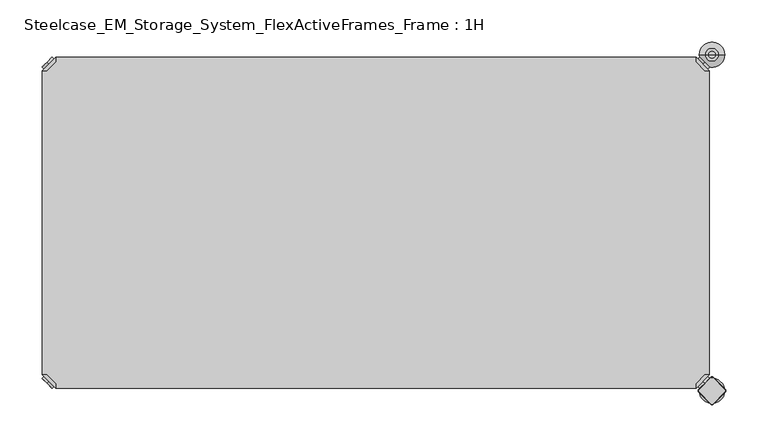
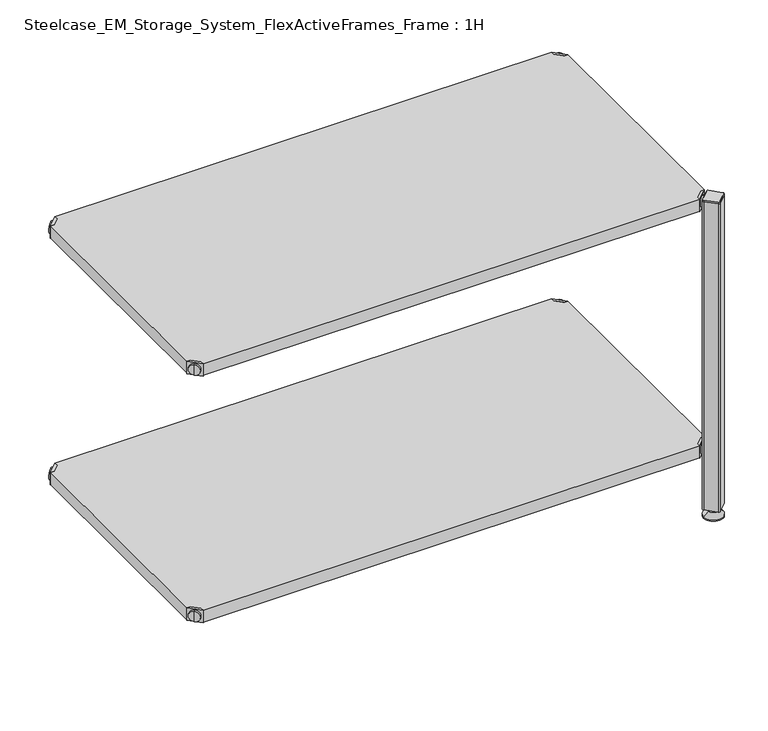
"""IFC4 building model written with IfcOpenShell, lengths in millimetres: furniture geometry, Steelcase_EM_Storage_System_FlexActiveFrames_Frame : 1H."""

from ifc_helpers import new_model, si_unit, point, frame, frame_2d, origin, place, context, project, spatial, polyline, circle_curve, trimmed, segment, composite_curve, outline, extrude, source, transform, mapped, element, save
from ifc_brep_helpers import plane_surface, cylinder_surface, revolved_surface, advanced_brep


def steelcase_em_storage_system_flexactiveframes_frame_1h_f66fc62f(model_context):
    return source(origin(), model_context, "Body", "SolidModel", [
        advanced_brep(
        [(789.0398449, -10.9601551, 498.5), (789.0398449, -10.9601551, 507.0), (789.0398449, -10.9601551, 515.5), (791.1611652, -8.8388348, 498.5), (791.1611652, -8.8388348, 515.5), (791.1611652, -8.8388348, 507.0)],
        [
            (0, 1),
            (1, 2),
            (2, 0, circle_curve(frame((789.0398449, -10.9601551, 507.0), z_axis=(-0.7071067811865556, -0.7071067811865395, 0.0), x_axis=(0.0, 0.0, 1.0)), 8.5)),
            (0, 2, circle_curve(frame((789.0398449, -10.9601551, 507.0), z_axis=(-0.7071067811865556, -0.7071067811865395, 0.0), x_axis=(0.0, 0.0, 1.0)), 8.5)),
            (3, 0),
            (2, 4),
            (4, 3, circle_curve(frame((791.1611652, -8.8388348, 507.0), z_axis=(-0.7071067811865556, -0.7071067811865395, 0.0), x_axis=(0.0, 0.0, 1.0)), 8.5)),
            (3, 4, circle_curve(frame((791.1611652, -8.8388348, 507.0), z_axis=(-0.7071067811865556, -0.7071067811865395, 0.0), x_axis=(0.0, 0.0, 1.0)), 8.5)),
            (5, 3),
            (4, 5),
        ],
        [
            plane_surface(frame((789.0398449, -10.9601551, 507.0), z_axis=(-0.7071067811865552, -0.7071067811865399, 0.0), x_axis=(0.0, 0.0, 1.0))),
            cylinder_surface(frame((791.1611652, -8.8388348, 507.0), z_axis=(0.7071067811865556, 0.7071067811865395, 0.0), x_axis=(0.0, 0.0, 1.0)), 8.5),
            plane_surface(frame((791.1611652, -8.8388348, 507.0), z_axis=(0.7071067811865552, 0.7071067811865399, 0.0), x_axis=(0.0, 0.0, 1.0))),
        ],
        [
            (0, [[1, 2, 3]]),
            (0, [[-2, -1, 4]]),
            (1, [[5, -3, 6, 7]]),
            (1, [[-6, -4, -5, 8]]),
            (2, [[9, -7, 10]]),
            (2, [[-10, -8, -9]]),
        ],
    ),
        advanced_brep(
        [(781.0796898, -3.0, 517.0), (781.0796898, -8.6568542, 517.0), (791.3431458, -18.9203102, 517.0), (797.0, -18.9203102, 517.0), (797.0, -18.9203102, 498.0), (797.0, -18.9203102, 497.0), (781.0796898, -3.0, 497.0), (781.0796898, -3.0, 498.0), (781.0796898, -8.6568542, 498.0), (791.3431458, -18.9203102, 498.0), (752.2702923, -31.8093975, 498.0), (768.1906025, -47.7297077, 498.0), (768.1906025, -47.7297077, 497.0), (752.2702923, -31.8093975, 497.0)],
        [
            (0, 1),
            (1, 2),
            (2, 3),
            (3, 0),
            (3, 4),
            (4, 5),
            (5, 6),
            (6, 7),
            (7, 0),
            (1, 8),
            (8, 9),
            (9, 2),
            (7, 8),
            (9, 4),
            (7, 10),
            (10, 11, circle_curve(frame((760.2304474, -39.7695526, 498.0), z_axis=(0.0, 0.0, 1.0), x_axis=(-1.0, 0.0, 0.0)), 11.2573593)),
            (11, 4),
            (5, 12),
            (12, 13, circle_curve(frame((760.2304474, -39.7695526, 497.0), z_axis=(0.0, 0.0, -1.0), x_axis=(-1.0, 0.0, 0.0)), 11.2573593)),
            (13, 6),
            (11, 12),
            (10, 13),
        ],
        [
            plane_surface(frame((838.8756299, -60.7959401, 517.0), z_axis=(0.0, 0.0, 1.0000000000000002), x_axis=(0.7071067811865465, -0.7071067811865487, 0.0))),
            plane_surface(frame((781.0796898, -3.0, 517.0), z_axis=(0.7071067811865487, 0.7071067811865465, 0.0), x_axis=(0.0, 0.0, -1.0))),
            plane_surface(frame((791.3431458, -18.9203102, 517.0), z_axis=(-0.7071067811865573, -0.7071067811865377, 0.0), x_axis=(0.0, 0.0, -1.0))),
            plane_surface(frame((781.0796898, -8.6568542, 517.0), z_axis=(-1.0, 0.0, 0.0), x_axis=(0.0, 0.0, -1.0))),
            plane_surface(frame((797.0, -18.9203102, 517.0), z_axis=(0.0, -1.0, 0.0), x_axis=(0.0, 0.0, -1.0))),
            plane_surface(frame((797.0, -18.9203102, 498.0), z_axis=(0.0, 0.0, 1.0), x_axis=(0.7071067811865392, -0.7071067811865558, 0.0))),
            plane_surface(frame((797.0, -18.9203102, 497.0), z_axis=(0.0, 0.0, -1.0), x_axis=(-0.7071067811865392, 0.7071067811865558, 0.0))),
            plane_surface(frame((797.0, -18.9203102, 498.0), z_axis=(0.7071067811865399, -0.7071067811865552, 0.0), x_axis=(0.0, 0.0, -1.0))),
            cylinder_surface(frame((760.2304474, -39.7695526, 497.0), z_axis=(0.0, 0.0, 1.0), x_axis=(-1.0, 0.0, 0.0)), 11.2573593),
            plane_surface(frame((752.2702923, -31.8093975, 498.0), z_axis=(-0.7071067811865388, 0.7071067811865563, 0.0), x_axis=(0.0, 0.0, -1.0))),
        ],
        [
            (0, [[1, 2, 3, 4]]),
            (1, [[5, 6, 7, 8, 9, -4]]),
            (2, [[10, 11, 12, -2]]),
            (3, [[-9, 13, -10, -1]]),
            (4, [[-12, 14, -5, -3]]),
            (5, [[-14, -11, -13, 15, 16, 17]]),
            (6, [[-7, 18, 19, 20]]),
            (7, [[21, -18, -6, -17]]),
            (8, [[22, -19, -21, -16]]),
            (9, [[-8, -20, -22, -15]]),
        ],
    ),
        advanced_brep(
        [(789.0398449, -389.0398449, 498.5), (789.0398449, -389.0398449, 515.5), (789.0398449, -389.0398449, 507.0), (791.1611652, -391.1611652, 498.5), (791.1611652, -391.1611652, 515.5), (791.1611652, -391.1611652, 507.0)],
        [
            (0, 1, circle_curve(frame((789.0398449, -389.0398449, 507.0), z_axis=(-0.7071067811865509, 0.7071067811865441, 0.0), x_axis=(0.0, 0.0, 1.0)), 8.5)),
            (1, 2),
            (2, 0),
            (1, 0, circle_curve(frame((789.0398449, -389.0398449, 507.0), z_axis=(-0.7071067811865509, 0.7071067811865441, 0.0), x_axis=(0.0, 0.0, 1.0)), 8.5)),
            (3, 4, circle_curve(frame((791.1611652, -391.1611652, 507.0), z_axis=(-0.7071067811865509, 0.7071067811865441, 0.0), x_axis=(0.0, 0.0, 1.0)), 8.5)),
            (4, 1),
            (0, 3),
            (4, 3, circle_curve(frame((791.1611652, -391.1611652, 507.0), z_axis=(-0.7071067811865509, 0.7071067811865441, 0.0), x_axis=(0.0, 0.0, 1.0)), 8.5)),
            (5, 4),
            (3, 5),
        ],
        [
            plane_surface(frame((789.0398449, -389.0398449, 507.0), z_axis=(-0.7071067811865506, 0.7071067811865446, 0.0), x_axis=(0.0, 0.0, 1.0))),
            cylinder_surface(frame((791.1611652, -391.1611652, 507.0), z_axis=(0.7071067811865509, -0.7071067811865441, 0.0), x_axis=(0.0, 0.0, 1.0)), 8.5),
            plane_surface(frame((791.1611652, -391.1611652, 507.0), z_axis=(0.7071067811865506, -0.7071067811865446, 0.0), x_axis=(0.0, 0.0, 1.0))),
        ],
        [
            (0, [[1, 2, 3]]),
            (0, [[4, -3, -2]]),
            (1, [[5, 6, -1, 7]]),
            (1, [[8, -7, -4, -6]]),
            (2, [[9, -5, 10]]),
            (2, [[-10, -8, -9]]),
        ],
    ),
        advanced_brep(
        [(781.0796898, -397.0, 517.0), (797.0, -381.0796898, 517.0), (791.3431458, -381.0796898, 517.0), (781.0796898, -391.3431458, 517.0), (781.0796898, -397.0, 498.0), (781.0796898, -397.0, 497.0), (797.0, -381.0796898, 497.0), (797.0, -381.0796898, 498.0), (791.3431458, -381.0796898, 498.0), (781.0796898, -391.3431458, 498.0), (768.1906025, -352.2702923, 498.0), (752.2702923, -368.1906025, 498.0), (752.2702923, -368.1906025, 497.0), (768.1906025, -352.2702923, 497.0)],
        [
            (0, 1),
            (1, 2),
            (2, 3),
            (3, 0),
            (0, 4),
            (4, 5),
            (5, 6),
            (6, 7),
            (7, 1),
            (2, 8),
            (8, 9),
            (9, 3),
            (9, 4),
            (7, 8),
            (7, 10),
            (10, 11, circle_curve(frame((760.2304474, -360.2304474, 498.0), z_axis=(0.0, 0.0, 1.0), x_axis=(-1.0, 0.0, 0.0)), 11.2573593)),
            (11, 4),
            (5, 12),
            (12, 13, circle_curve(frame((760.2304474, -360.2304474, 497.0), z_axis=(0.0, 0.0, -1.0), x_axis=(-1.0, 0.0, 0.0)), 11.2573593)),
            (13, 6),
            (13, 10),
            (12, 11),
        ],
        [
            plane_surface(frame((838.8756299, -339.2040599, 517.0), z_axis=(0.0, 0.0, 1.0000000000000002), x_axis=(0.7071067811865511, 0.707106781186544, 0.0))),
            plane_surface(frame((781.0796898, -397.0, 517.0), z_axis=(0.707106781186544, -0.7071067811865511, 0.0), x_axis=(0.0, 0.0, -1.0))),
            plane_surface(frame((791.3431458, -381.0796898, 517.0), z_axis=(-0.7071067811865527, 0.7071067811865424, 0.0), x_axis=(0.0, 0.0, -1.0))),
            plane_surface(frame((781.0796898, -391.3431458, 517.0), z_axis=(-1.0, 0.0, 0.0), x_axis=(0.0, 0.0, -1.0))),
            plane_surface(frame((797.0, -381.0796898, 517.0), z_axis=(0.0, 1.0, 0.0), x_axis=(0.0, 0.0, -1.0))),
            plane_surface(frame((797.0, -381.0796898, 498.0), z_axis=(0.0, 0.0, 1.0), x_axis=(0.7071067811865439, 0.7071067811865511, 0.0))),
            plane_surface(frame((797.0, -381.0796898, 497.0), z_axis=(0.0, 0.0, -1.0), x_axis=(-0.7071067811865439, -0.7071067811865511, 0.0))),
            plane_surface(frame((797.0, -381.0796898, 498.0), z_axis=(0.7071067811865446, 0.7071067811865506, 0.0), x_axis=(0.0, 0.0, -1.0))),
            cylinder_surface(frame((760.2304474, -360.2304474, 497.0), z_axis=(0.0, 0.0, 1.0), x_axis=(-1.0, 0.0, 0.0)), 11.2573593),
            plane_surface(frame((752.2702923, -368.1906025, 498.0), z_axis=(-0.7071067811865435, -0.7071067811865517, 0.0), x_axis=(0.0, 0.0, -1.0))),
        ],
        [
            (0, [[1, 2, 3, 4]]),
            (1, [[-1, 5, 6, 7, 8, 9]]),
            (2, [[-3, 10, 11, 12]]),
            (3, [[-4, -12, 13, -5]]),
            (4, [[-2, -9, 14, -10]]),
            (5, [[15, 16, 17, -13, -11, -14]]),
            (6, [[18, 19, 20, -7]]),
            (7, [[-15, -8, -20, 21]]),
            (8, [[-16, -21, -19, 22]]),
            (9, [[-17, -22, -18, -6]]),
        ],
    ),
        advanced_brep(
        [(10.9601551, -389.0398449, 498.5), (10.9601551, -389.0398449, 507.0), (10.9601551, -389.0398449, 515.5), (8.8388348, -391.1611652, 498.5), (8.8388348, -391.1611652, 515.5), (8.8388348, -391.1611652, 507.0)],
        [
            (0, 1),
            (1, 2),
            (2, 0, circle_curve(frame((10.9601551, -389.0398449, 507.0), z_axis=(0.7071067811865509, 0.7071067811865441, 0.0), x_axis=(0.0, 0.0, 1.0)), 8.5)),
            (0, 2, circle_curve(frame((10.9601551, -389.0398449, 507.0), z_axis=(0.7071067811865509, 0.7071067811865441, 0.0), x_axis=(0.0, 0.0, 1.0)), 8.5)),
            (3, 0),
            (2, 4),
            (4, 3, circle_curve(frame((8.8388348, -391.1611652, 507.0), z_axis=(0.7071067811865509, 0.7071067811865441, 0.0), x_axis=(0.0, 0.0, 1.0)), 8.5)),
            (3, 4, circle_curve(frame((8.8388348, -391.1611652, 507.0), z_axis=(0.7071067811865509, 0.7071067811865441, 0.0), x_axis=(0.0, 0.0, 1.0)), 8.5)),
            (5, 3),
            (4, 5),
        ],
        [
            plane_surface(frame((10.9601551, -389.0398449, 507.0), z_axis=(0.7071067811865506, 0.7071067811865446, 0.0), x_axis=(0.0, 0.0, 1.0))),
            cylinder_surface(frame((8.8388348, -391.1611652, 507.0), z_axis=(-0.7071067811865509, -0.7071067811865441, 0.0), x_axis=(0.0, 0.0, 1.0)), 8.5),
            plane_surface(frame((8.8388348, -391.1611652, 507.0), z_axis=(-0.7071067811865506, -0.7071067811865446, 0.0), x_axis=(0.0, 0.0, 1.0))),
        ],
        [
            (0, [[1, 2, 3]]),
            (0, [[-2, -1, 4]]),
            (1, [[5, -3, 6, 7]]),
            (1, [[-6, -4, -5, 8]]),
            (2, [[9, -7, 10]]),
            (2, [[-10, -8, -9]]),
        ],
    ),
        advanced_brep(
        [(18.9203102, -397.0, 517.0), (18.9203102, -391.3431458, 517.0), (8.6568542, -381.0796898, 517.0), (3.0, -381.0796898, 517.0), (3.0, -381.0796898, 498.0), (3.0, -381.0796898, 497.0), (18.9203102, -397.0, 497.0), (18.9203102, -397.0, 498.0), (18.9203102, -391.3431458, 498.0), (8.6568542, -381.0796898, 498.0), (47.7297077, -368.1906025, 498.0), (31.8093975, -352.2702923, 498.0), (31.8093975, -352.2702923, 497.0), (47.7297077, -368.1906025, 497.0)],
        [
            (0, 1),
            (1, 2),
            (2, 3),
            (3, 0),
            (3, 4),
            (4, 5),
            (5, 6),
            (6, 7),
            (7, 0),
            (1, 8),
            (8, 9),
            (9, 2),
            (7, 8),
            (9, 4),
            (7, 10),
            (10, 11, circle_curve(frame((39.7695526, -360.2304474, 498.0), z_axis=(0.0, 0.0, 1.0), x_axis=(1.0, 0.0, 0.0)), 11.2573593)),
            (11, 4),
            (5, 12),
            (12, 13, circle_curve(frame((39.7695526, -360.2304474, 497.0), z_axis=(0.0, 0.0, -1.0), x_axis=(1.0, 0.0, 0.0)), 11.2573593)),
            (13, 6),
            (11, 12),
            (10, 13),
        ],
        [
            plane_surface(frame((-38.8756299, -339.2040599, 517.0), z_axis=(0.0, 0.0, 1.0000000000000002), x_axis=(-0.7071067811865511, 0.707106781186544, 0.0))),
            plane_surface(frame((18.9203102, -397.0, 517.0), z_axis=(-0.707106781186544, -0.7071067811865511, 0.0), x_axis=(0.0, 0.0, -1.0))),
            plane_surface(frame((8.6568542, -381.0796898, 517.0), z_axis=(0.7071067811865527, 0.7071067811865424, 0.0), x_axis=(0.0, 0.0, -1.0))),
            plane_surface(frame((18.9203102, -391.3431458, 517.0), z_axis=(1.0, 0.0, 0.0), x_axis=(0.0, 0.0, -1.0))),
            plane_surface(frame((3.0, -381.0796898, 517.0), z_axis=(0.0, 1.0, 0.0), x_axis=(0.0, 0.0, -1.0))),
            plane_surface(frame((3.0, -381.0796898, 498.0), z_axis=(0.0, 0.0, 1.0), x_axis=(-0.7071067811865439, 0.7071067811865511, 0.0))),
            plane_surface(frame((3.0, -381.0796898, 497.0), z_axis=(0.0, 0.0, -1.0), x_axis=(0.7071067811865439, -0.7071067811865511, 0.0))),
            plane_surface(frame((3.0, -381.0796898, 498.0), z_axis=(-0.7071067811865446, 0.7071067811865506, 0.0), x_axis=(0.0, 0.0, -1.0))),
            cylinder_surface(frame((39.7695526, -360.2304474, 497.0), z_axis=(0.0, 0.0, 1.0), x_axis=(1.0, 0.0, 0.0)), 11.2573593),
            plane_surface(frame((47.7297077, -368.1906025, 498.0), z_axis=(0.7071067811865435, -0.7071067811865517, 0.0), x_axis=(0.0, 0.0, -1.0))),
        ],
        [
            (0, [[1, 2, 3, 4]]),
            (1, [[5, 6, 7, 8, 9, -4]]),
            (2, [[10, 11, 12, -2]]),
            (3, [[-9, 13, -10, -1]]),
            (4, [[-12, 14, -5, -3]]),
            (5, [[-14, -11, -13, 15, 16, 17]]),
            (6, [[-7, 18, 19, 20]]),
            (7, [[21, -18, -6, -17]]),
            (8, [[22, -19, -21, -16]]),
            (9, [[-8, -20, -22, -15]]),
        ],
    ),
        advanced_brep(
        [(10.9601551, -10.9601551, 498.5), (10.9601551, -10.9601551, 515.5), (10.9601551, -10.9601551, 507.0), (8.8388348, -8.8388348, 498.5), (8.8388348, -8.8388348, 515.5), (8.8388348, -8.8388348, 507.0)],
        [
            (0, 1, circle_curve(frame((10.9601551, -10.9601551, 507.0), z_axis=(0.7071067811865464, -0.7071067811865487, 0.0), x_axis=(0.0, 0.0, 1.0)), 8.5)),
            (1, 2),
            (2, 0),
            (1, 0, circle_curve(frame((10.9601551, -10.9601551, 507.0), z_axis=(0.7071067811865464, -0.7071067811865487, 0.0), x_axis=(0.0, 0.0, 1.0)), 8.5)),
            (3, 4, circle_curve(frame((8.8388348, -8.8388348, 507.0), z_axis=(0.7071067811865464, -0.7071067811865487, 0.0), x_axis=(0.0, 0.0, 1.0)), 8.5)),
            (4, 1),
            (0, 3),
            (4, 3, circle_curve(frame((8.8388348, -8.8388348, 507.0), z_axis=(0.7071067811865464, -0.7071067811865487, 0.0), x_axis=(0.0, 0.0, 1.0)), 8.5)),
            (5, 4),
            (3, 5),
        ],
        [
            plane_surface(frame((10.9601551, -10.9601551, 507.0), z_axis=(0.707106781186546, -0.7071067811865491, 0.0), x_axis=(0.0, 0.0, 1.0))),
            cylinder_surface(frame((8.8388348, -8.8388348, 507.0), z_axis=(-0.7071067811865464, 0.7071067811865487, 0.0), x_axis=(0.0, 0.0, 1.0)), 8.5),
            plane_surface(frame((8.8388348, -8.8388348, 507.0), z_axis=(-0.707106781186546, 0.7071067811865491, 0.0), x_axis=(0.0, 0.0, 1.0))),
        ],
        [
            (0, [[1, 2, 3]]),
            (0, [[4, -3, -2]]),
            (1, [[5, 6, -1, 7]]),
            (1, [[8, -7, -4, -6]]),
            (2, [[9, -5, 10]]),
            (2, [[-10, -8, -9]]),
        ],
    ),
        advanced_brep(
        [(18.9203102, -3.0, 517.0), (3.0, -18.9203102, 517.0), (8.6568542, -18.9203102, 517.0), (18.9203102, -8.6568542, 517.0), (18.9203102, -3.0, 498.0), (18.9203102, -3.0, 497.0), (3.0, -18.9203102, 497.0), (3.0, -18.9203102, 498.0), (8.6568542, -18.9203102, 498.0), (18.9203102, -8.6568542, 498.0), (31.8093975, -47.7297077, 498.0), (47.7297077, -31.8093975, 498.0), (47.7297077, -31.8093975, 497.0), (31.8093975, -47.7297077, 497.0)],
        [
            (0, 1),
            (1, 2),
            (2, 3),
            (3, 0),
            (0, 4),
            (4, 5),
            (5, 6),
            (6, 7),
            (7, 1),
            (2, 8),
            (8, 9),
            (9, 3),
            (9, 4),
            (7, 8),
            (7, 10),
            (10, 11, circle_curve(frame((39.7695526, -39.7695526, 498.0), z_axis=(0.0, 0.0, 1.0), x_axis=(1.0, 0.0, 0.0)), 11.2573593)),
            (11, 4),
            (5, 12),
            (12, 13, circle_curve(frame((39.7695526, -39.7695526, 497.0), z_axis=(0.0, 0.0, -1.0), x_axis=(1.0, 0.0, 0.0)), 11.2573593)),
            (13, 6),
            (13, 10),
            (12, 11),
        ],
        [
            plane_surface(frame((-38.8756299, -60.7959401, 517.0), z_axis=(0.0, 0.0, 1.0000000000000002), x_axis=(-0.7071067811865557, -0.7071067811865395, 0.0))),
            plane_surface(frame((18.9203102, -3.0, 517.0), z_axis=(-0.7071067811865395, 0.7071067811865557, 0.0), x_axis=(0.0, 0.0, -1.0))),
            plane_surface(frame((8.6568542, -18.9203102, 517.0), z_axis=(0.7071067811865481, -0.7071067811865469, 0.0), x_axis=(0.0, 0.0, -1.0))),
            plane_surface(frame((18.9203102, -8.6568542, 517.0), z_axis=(1.0, 0.0, 0.0), x_axis=(0.0, 0.0, -1.0))),
            plane_surface(frame((3.0, -18.9203102, 517.0), z_axis=(0.0, -1.0, 0.0), x_axis=(0.0, 0.0, -1.0))),
            plane_surface(frame((3.0, -18.9203102, 498.0), z_axis=(0.0, 0.0, 1.0), x_axis=(-0.7071067811865485, -0.7071067811865466, 0.0))),
            plane_surface(frame((3.0, -18.9203102, 497.0), z_axis=(0.0, 0.0, -1.0), x_axis=(0.7071067811865485, 0.7071067811865466, 0.0))),
            plane_surface(frame((3.0, -18.9203102, 498.0), z_axis=(-0.7071067811865491, -0.707106781186546, 0.0), x_axis=(0.0, 0.0, -1.0))),
            cylinder_surface(frame((39.7695526, -39.7695526, 497.0), z_axis=(0.0, 0.0, 1.0), x_axis=(1.0, 0.0, 0.0)), 11.2573593),
            plane_surface(frame((47.7297077, -31.8093975, 498.0), z_axis=(0.707106781186548, 0.7071067811865471, 0.0), x_axis=(0.0, 0.0, -1.0))),
        ],
        [
            (0, [[1, 2, 3, 4]]),
            (1, [[-1, 5, 6, 7, 8, 9]]),
            (2, [[-3, 10, 11, 12]]),
            (3, [[-4, -12, 13, -5]]),
            (4, [[-2, -9, 14, -10]]),
            (5, [[15, 16, 17, -13, -11, -14]]),
            (6, [[18, 19, 20, -7]]),
            (7, [[-15, -8, -20, 21]]),
            (8, [[-16, -21, -19, 22]]),
            (9, [[-17, -22, -18, -6]]),
        ],
    ),
        extrude(outline(polyline([(781.0796898, -3.0), (781.0796898, -8.6568542), (791.3431458, -18.9203102), (797.0, -18.9203102), (797.0, -381.0796898), (791.3431458, -381.0796898), (781.0796898, -391.3431458), (781.0796898, -397.0), (18.9203102, -397.0), (18.9203102, -391.3431458), (8.6568542, -381.0796898), (3.0, -381.0796898), (3.0, -18.9203102), (8.6568542, -18.9203102), (18.9203102, -8.6568542), (18.9203102, -3.0), (781.0796898, -3.0)])), frame((0.0, 0.0, 498.0), z_axis=(0.0, 0.0, 1.0), x_axis=(1.0, 0.0, 0.0)), (0.0, 0.0, 1.0), 19.0),
        advanced_brep(
        [(789.0398449, -10.9601551, 98.5), (789.0398449, -10.9601551, 107.0), (789.0398449, -10.9601551, 115.5), (791.1611652, -8.8388348, 98.5), (791.1611652, -8.8388348, 115.5), (791.1611652, -8.8388348, 107.0)],
        [
            (0, 1),
            (1, 2),
            (2, 0, circle_curve(frame((789.0398449, -10.9601551, 107.0), z_axis=(-0.7071067811865556, -0.7071067811865395, 0.0), x_axis=(0.0, 0.0, 1.0)), 8.5)),
            (0, 2, circle_curve(frame((789.0398449, -10.9601551, 107.0), z_axis=(-0.7071067811865556, -0.7071067811865395, 0.0), x_axis=(0.0, 0.0, 1.0)), 8.5)),
            (3, 0),
            (2, 4),
            (4, 3, circle_curve(frame((791.1611652, -8.8388348, 107.0), z_axis=(-0.7071067811865556, -0.7071067811865395, 0.0), x_axis=(0.0, 0.0, 1.0)), 8.5)),
            (3, 4, circle_curve(frame((791.1611652, -8.8388348, 107.0), z_axis=(-0.7071067811865556, -0.7071067811865395, 0.0), x_axis=(0.0, 0.0, 1.0)), 8.5)),
            (5, 3),
            (4, 5),
        ],
        [
            plane_surface(frame((789.0398449, -10.9601551, 107.0), z_axis=(-0.7071067811865552, -0.7071067811865399, 0.0), x_axis=(0.0, 0.0, 1.0))),
            cylinder_surface(frame((791.1611652, -8.8388348, 107.0), z_axis=(0.7071067811865556, 0.7071067811865395, 0.0), x_axis=(0.0, 0.0, 1.0)), 8.5),
            plane_surface(frame((791.1611652, -8.8388348, 107.0), z_axis=(0.7071067811865552, 0.7071067811865399, 0.0), x_axis=(0.0, 0.0, 1.0))),
        ],
        [
            (0, [[1, 2, 3]]),
            (0, [[-2, -1, 4]]),
            (1, [[5, -3, 6, 7]]),
            (1, [[-6, -4, -5, 8]]),
            (2, [[9, -7, 10]]),
            (2, [[-10, -8, -9]]),
        ],
    ),
        advanced_brep(
        [(781.0796898, -3.0, 117.0), (781.0796898, -8.6568542, 117.0), (791.3431458, -18.9203102, 117.0), (797.0, -18.9203102, 117.0), (797.0, -18.9203102, 98.0), (797.0, -18.9203102, 97.0), (781.0796898, -3.0, 97.0), (781.0796898, -3.0, 98.0), (781.0796898, -8.6568542, 98.0), (791.3431458, -18.9203102, 98.0), (752.2702923, -31.8093975, 98.0), (768.1906025, -47.7297077, 98.0), (768.1906025, -47.7297077, 97.0), (752.2702923, -31.8093975, 97.0)],
        [
            (0, 1),
            (1, 2),
            (2, 3),
            (3, 0),
            (3, 4),
            (4, 5),
            (5, 6),
            (6, 7),
            (7, 0),
            (1, 8),
            (8, 9),
            (9, 2),
            (7, 8),
            (9, 4),
            (7, 10),
            (10, 11, circle_curve(frame((760.2304474, -39.7695526, 98.0), z_axis=(0.0, 0.0, 1.0), x_axis=(-1.0, 0.0, 0.0)), 11.2573593)),
            (11, 4),
            (5, 12),
            (12, 13, circle_curve(frame((760.2304474, -39.7695526, 97.0), z_axis=(0.0, 0.0, -1.0), x_axis=(-1.0, 0.0, 0.0)), 11.2573593)),
            (13, 6),
            (11, 12),
            (10, 13),
        ],
        [
            plane_surface(frame((838.8756299, -60.7959401, 117.0), z_axis=(0.0, 0.0, 1.0000000000000002), x_axis=(0.7071067811865465, -0.7071067811865487, 0.0))),
            plane_surface(frame((781.0796898, -3.0, 117.0), z_axis=(0.7071067811865487, 0.7071067811865465, 0.0), x_axis=(0.0, 0.0, -1.0))),
            plane_surface(frame((791.3431458, -18.9203102, 117.0), z_axis=(-0.7071067811865573, -0.7071067811865377, 0.0), x_axis=(0.0, 0.0, -1.0))),
            plane_surface(frame((781.0796898, -8.6568542, 117.0), z_axis=(-1.0, 0.0, 0.0), x_axis=(0.0, 0.0, -1.0))),
            plane_surface(frame((797.0, -18.9203102, 117.0), z_axis=(0.0, -1.0, 0.0), x_axis=(0.0, 0.0, -1.0))),
            plane_surface(frame((797.0, -18.9203102, 98.0), z_axis=(0.0, 0.0, 1.0), x_axis=(0.7071067811865392, -0.7071067811865558, 0.0))),
            plane_surface(frame((797.0, -18.9203102, 97.0), z_axis=(0.0, 0.0, -1.0), x_axis=(-0.7071067811865392, 0.7071067811865558, 0.0))),
            plane_surface(frame((797.0, -18.9203102, 98.0), z_axis=(0.7071067811865399, -0.7071067811865552, 0.0), x_axis=(0.0, 0.0, -1.0))),
            cylinder_surface(frame((760.2304474, -39.7695526, 97.0), z_axis=(0.0, 0.0, 1.0), x_axis=(-1.0, 0.0, 0.0)), 11.2573593),
            plane_surface(frame((752.2702923, -31.8093975, 98.0), z_axis=(-0.7071067811865388, 0.7071067811865563, 0.0), x_axis=(0.0, 0.0, -1.0))),
        ],
        [
            (0, [[1, 2, 3, 4]]),
            (1, [[5, 6, 7, 8, 9, -4]]),
            (2, [[10, 11, 12, -2]]),
            (3, [[-9, 13, -10, -1]]),
            (4, [[-12, 14, -5, -3]]),
            (5, [[-14, -11, -13, 15, 16, 17]]),
            (6, [[-7, 18, 19, 20]]),
            (7, [[21, -18, -6, -17]]),
            (8, [[22, -19, -21, -16]]),
            (9, [[-8, -20, -22, -15]]),
        ],
    ),
        advanced_brep(
        [(789.0398449, -389.0398449, 98.5), (789.0398449, -389.0398449, 115.5), (789.0398449, -389.0398449, 107.0), (791.1611652, -391.1611652, 98.5), (791.1611652, -391.1611652, 115.5), (791.1611652, -391.1611652, 107.0)],
        [
            (0, 1, circle_curve(frame((789.0398449, -389.0398449, 107.0), z_axis=(-0.7071067811865509, 0.7071067811865441, 0.0), x_axis=(0.0, 0.0, 1.0)), 8.5)),
            (1, 2),
            (2, 0),
            (1, 0, circle_curve(frame((789.0398449, -389.0398449, 107.0), z_axis=(-0.7071067811865509, 0.7071067811865441, 0.0), x_axis=(0.0, 0.0, 1.0)), 8.5)),
            (3, 4, circle_curve(frame((791.1611652, -391.1611652, 107.0), z_axis=(-0.7071067811865509, 0.7071067811865441, 0.0), x_axis=(0.0, 0.0, 1.0)), 8.5)),
            (4, 1),
            (0, 3),
            (4, 3, circle_curve(frame((791.1611652, -391.1611652, 107.0), z_axis=(-0.7071067811865509, 0.7071067811865441, 0.0), x_axis=(0.0, 0.0, 1.0)), 8.5)),
            (5, 4),
            (3, 5),
        ],
        [
            plane_surface(frame((789.0398449, -389.0398449, 107.0), z_axis=(-0.7071067811865506, 0.7071067811865446, 0.0), x_axis=(0.0, 0.0, 1.0))),
            cylinder_surface(frame((791.1611652, -391.1611652, 107.0), z_axis=(0.7071067811865509, -0.7071067811865441, 0.0), x_axis=(0.0, 0.0, 1.0)), 8.5),
            plane_surface(frame((791.1611652, -391.1611652, 107.0), z_axis=(0.7071067811865506, -0.7071067811865446, 0.0), x_axis=(0.0, 0.0, 1.0))),
        ],
        [
            (0, [[1, 2, 3]]),
            (0, [[4, -3, -2]]),
            (1, [[5, 6, -1, 7]]),
            (1, [[8, -7, -4, -6]]),
            (2, [[9, -5, 10]]),
            (2, [[-10, -8, -9]]),
        ],
    ),
        advanced_brep(
        [(781.0796898, -397.0, 117.0), (797.0, -381.0796898, 117.0), (791.3431458, -381.0796898, 117.0), (781.0796898, -391.3431458, 117.0), (781.0796898, -397.0, 98.0), (781.0796898, -397.0, 97.0), (797.0, -381.0796898, 97.0), (797.0, -381.0796898, 98.0), (791.3431458, -381.0796898, 98.0), (781.0796898, -391.3431458, 98.0), (768.1906025, -352.2702923, 98.0), (752.2702923, -368.1906025, 98.0), (752.2702923, -368.1906025, 97.0), (768.1906025, -352.2702923, 97.0)],
        [
            (0, 1),
            (1, 2),
            (2, 3),
            (3, 0),
            (0, 4),
            (4, 5),
            (5, 6),
            (6, 7),
            (7, 1),
            (2, 8),
            (8, 9),
            (9, 3),
            (9, 4),
            (7, 8),
            (7, 10),
            (10, 11, circle_curve(frame((760.2304474, -360.2304474, 98.0), z_axis=(0.0, 0.0, 1.0), x_axis=(-1.0, 0.0, 0.0)), 11.2573593)),
            (11, 4),
            (5, 12),
            (12, 13, circle_curve(frame((760.2304474, -360.2304474, 97.0), z_axis=(0.0, 0.0, -1.0), x_axis=(-1.0, 0.0, 0.0)), 11.2573593)),
            (13, 6),
            (13, 10),
            (12, 11),
        ],
        [
            plane_surface(frame((838.8756299, -339.2040599, 117.0), z_axis=(0.0, 0.0, 1.0000000000000002), x_axis=(0.7071067811865511, 0.707106781186544, 0.0))),
            plane_surface(frame((781.0796898, -397.0, 117.0), z_axis=(0.707106781186544, -0.7071067811865511, 0.0), x_axis=(0.0, 0.0, -1.0))),
            plane_surface(frame((791.3431458, -381.0796898, 117.0), z_axis=(-0.7071067811865527, 0.7071067811865424, 0.0), x_axis=(0.0, 0.0, -1.0))),
            plane_surface(frame((781.0796898, -391.3431458, 117.0), z_axis=(-1.0, 0.0, 0.0), x_axis=(0.0, 0.0, -1.0))),
            plane_surface(frame((797.0, -381.0796898, 117.0), z_axis=(0.0, 1.0, 0.0), x_axis=(0.0, 0.0, -1.0))),
            plane_surface(frame((797.0, -381.0796898, 98.0), z_axis=(0.0, 0.0, 1.0), x_axis=(0.7071067811865439, 0.7071067811865511, 0.0))),
            plane_surface(frame((797.0, -381.0796898, 97.0), z_axis=(0.0, 0.0, -1.0), x_axis=(-0.7071067811865439, -0.7071067811865511, 0.0))),
            plane_surface(frame((797.0, -381.0796898, 98.0), z_axis=(0.7071067811865446, 0.7071067811865506, 0.0), x_axis=(0.0, 0.0, -1.0))),
            cylinder_surface(frame((760.2304474, -360.2304474, 97.0), z_axis=(0.0, 0.0, 1.0), x_axis=(-1.0, 0.0, 0.0)), 11.2573593),
            plane_surface(frame((752.2702923, -368.1906025, 98.0), z_axis=(-0.7071067811865435, -0.7071067811865517, 0.0), x_axis=(0.0, 0.0, -1.0))),
        ],
        [
            (0, [[1, 2, 3, 4]]),
            (1, [[-1, 5, 6, 7, 8, 9]]),
            (2, [[-3, 10, 11, 12]]),
            (3, [[-4, -12, 13, -5]]),
            (4, [[-2, -9, 14, -10]]),
            (5, [[15, 16, 17, -13, -11, -14]]),
            (6, [[18, 19, 20, -7]]),
            (7, [[-15, -8, -20, 21]]),
            (8, [[-16, -21, -19, 22]]),
            (9, [[-17, -22, -18, -6]]),
        ],
    ),
        advanced_brep(
        [(10.9601551, -389.0398449, 98.5), (10.9601551, -389.0398449, 107.0), (10.9601551, -389.0398449, 115.5), (8.8388348, -391.1611652, 98.5), (8.8388348, -391.1611652, 115.5), (8.8388348, -391.1611652, 107.0)],
        [
            (0, 1),
            (1, 2),
            (2, 0, circle_curve(frame((10.9601551, -389.0398449, 107.0), z_axis=(0.7071067811865509, 0.7071067811865441, 0.0), x_axis=(0.0, 0.0, 1.0)), 8.5)),
            (0, 2, circle_curve(frame((10.9601551, -389.0398449, 107.0), z_axis=(0.7071067811865509, 0.7071067811865441, 0.0), x_axis=(0.0, 0.0, 1.0)), 8.5)),
            (3, 0),
            (2, 4),
            (4, 3, circle_curve(frame((8.8388348, -391.1611652, 107.0), z_axis=(0.7071067811865509, 0.7071067811865441, 0.0), x_axis=(0.0, 0.0, 1.0)), 8.5)),
            (3, 4, circle_curve(frame((8.8388348, -391.1611652, 107.0), z_axis=(0.7071067811865509, 0.7071067811865441, 0.0), x_axis=(0.0, 0.0, 1.0)), 8.5)),
            (5, 3),
            (4, 5),
        ],
        [
            plane_surface(frame((10.9601551, -389.0398449, 107.0), z_axis=(0.7071067811865506, 0.7071067811865446, 0.0), x_axis=(0.0, 0.0, 1.0))),
            cylinder_surface(frame((8.8388348, -391.1611652, 107.0), z_axis=(-0.7071067811865509, -0.7071067811865441, 0.0), x_axis=(0.0, 0.0, 1.0)), 8.5),
            plane_surface(frame((8.8388348, -391.1611652, 107.0), z_axis=(-0.7071067811865506, -0.7071067811865446, 0.0), x_axis=(0.0, 0.0, 1.0))),
        ],
        [
            (0, [[1, 2, 3]]),
            (0, [[-2, -1, 4]]),
            (1, [[5, -3, 6, 7]]),
            (1, [[-6, -4, -5, 8]]),
            (2, [[9, -7, 10]]),
            (2, [[-10, -8, -9]]),
        ],
    ),
        advanced_brep(
        [(18.9203102, -397.0, 117.0), (18.9203102, -391.3431458, 117.0), (8.6568542, -381.0796898, 117.0), (3.0, -381.0796898, 117.0), (3.0, -381.0796898, 98.0), (3.0, -381.0796898, 97.0), (18.9203102, -397.0, 97.0), (18.9203102, -397.0, 98.0), (18.9203102, -391.3431458, 98.0), (8.6568542, -381.0796898, 98.0), (47.7297077, -368.1906025, 98.0), (31.8093975, -352.2702923, 98.0), (31.8093975, -352.2702923, 97.0), (47.7297077, -368.1906025, 97.0)],
        [
            (0, 1),
            (1, 2),
            (2, 3),
            (3, 0),
            (3, 4),
            (4, 5),
            (5, 6),
            (6, 7),
            (7, 0),
            (1, 8),
            (8, 9),
            (9, 2),
            (7, 8),
            (9, 4),
            (7, 10),
            (10, 11, circle_curve(frame((39.7695526, -360.2304474, 98.0), z_axis=(0.0, 0.0, 1.0), x_axis=(1.0, 0.0, 0.0)), 11.2573593)),
            (11, 4),
            (5, 12),
            (12, 13, circle_curve(frame((39.7695526, -360.2304474, 97.0), z_axis=(0.0, 0.0, -1.0), x_axis=(1.0, 0.0, 0.0)), 11.2573593)),
            (13, 6),
            (11, 12),
            (10, 13),
        ],
        [
            plane_surface(frame((-38.8756299, -339.2040599, 117.0), z_axis=(0.0, 0.0, 1.0000000000000002), x_axis=(-0.7071067811865511, 0.707106781186544, 0.0))),
            plane_surface(frame((18.9203102, -397.0, 117.0), z_axis=(-0.707106781186544, -0.7071067811865511, 0.0), x_axis=(0.0, 0.0, -1.0))),
            plane_surface(frame((8.6568542, -381.0796898, 117.0), z_axis=(0.7071067811865527, 0.7071067811865424, 0.0), x_axis=(0.0, 0.0, -1.0))),
            plane_surface(frame((18.9203102, -391.3431458, 117.0), z_axis=(1.0, 0.0, 0.0), x_axis=(0.0, 0.0, -1.0))),
            plane_surface(frame((3.0, -381.0796898, 117.0), z_axis=(0.0, 1.0, 0.0), x_axis=(0.0, 0.0, -1.0))),
            plane_surface(frame((3.0, -381.0796898, 98.0), z_axis=(0.0, 0.0, 1.0), x_axis=(-0.7071067811865439, 0.7071067811865511, 0.0))),
            plane_surface(frame((3.0, -381.0796898, 97.0), z_axis=(0.0, 0.0, -1.0), x_axis=(0.7071067811865439, -0.7071067811865511, 0.0))),
            plane_surface(frame((3.0, -381.0796898, 98.0), z_axis=(-0.7071067811865446, 0.7071067811865506, 0.0), x_axis=(0.0, 0.0, -1.0))),
            cylinder_surface(frame((39.7695526, -360.2304474, 97.0), z_axis=(0.0, 0.0, 1.0), x_axis=(1.0, 0.0, 0.0)), 11.2573593),
            plane_surface(frame((47.7297077, -368.1906025, 98.0), z_axis=(0.7071067811865435, -0.7071067811865517, 0.0), x_axis=(0.0, 0.0, -1.0))),
        ],
        [
            (0, [[1, 2, 3, 4]]),
            (1, [[5, 6, 7, 8, 9, -4]]),
            (2, [[10, 11, 12, -2]]),
            (3, [[-9, 13, -10, -1]]),
            (4, [[-12, 14, -5, -3]]),
            (5, [[-14, -11, -13, 15, 16, 17]]),
            (6, [[-7, 18, 19, 20]]),
            (7, [[21, -18, -6, -17]]),
            (8, [[22, -19, -21, -16]]),
            (9, [[-8, -20, -22, -15]]),
        ],
    ),
        advanced_brep(
        [(10.9601551, -10.9601551, 98.5), (10.9601551, -10.9601551, 115.5), (10.9601551, -10.9601551, 107.0), (8.8388348, -8.8388348, 98.5), (8.8388348, -8.8388348, 115.5), (8.8388348, -8.8388348, 107.0)],
        [
            (0, 1, circle_curve(frame((10.9601551, -10.9601551, 107.0), z_axis=(0.7071067811865464, -0.7071067811865487, 0.0), x_axis=(0.0, 0.0, 1.0)), 8.5)),
            (1, 2),
            (2, 0),
            (1, 0, circle_curve(frame((10.9601551, -10.9601551, 107.0), z_axis=(0.7071067811865464, -0.7071067811865487, 0.0), x_axis=(0.0, 0.0, 1.0)), 8.5)),
            (3, 4, circle_curve(frame((8.8388348, -8.8388348, 107.0), z_axis=(0.7071067811865464, -0.7071067811865487, 0.0), x_axis=(0.0, 0.0, 1.0)), 8.5)),
            (4, 1),
            (0, 3),
            (4, 3, circle_curve(frame((8.8388348, -8.8388348, 107.0), z_axis=(0.7071067811865464, -0.7071067811865487, 0.0), x_axis=(0.0, 0.0, 1.0)), 8.5)),
            (5, 4),
            (3, 5),
        ],
        [
            plane_surface(frame((10.9601551, -10.9601551, 107.0), z_axis=(0.707106781186546, -0.7071067811865491, 0.0), x_axis=(0.0, 0.0, 1.0))),
            cylinder_surface(frame((8.8388348, -8.8388348, 107.0), z_axis=(-0.7071067811865464, 0.7071067811865487, 0.0), x_axis=(0.0, 0.0, 1.0)), 8.5),
            plane_surface(frame((8.8388348, -8.8388348, 107.0), z_axis=(-0.707106781186546, 0.7071067811865491, 0.0), x_axis=(0.0, 0.0, 1.0))),
        ],
        [
            (0, [[1, 2, 3]]),
            (0, [[4, -3, -2]]),
            (1, [[5, 6, -1, 7]]),
            (1, [[8, -7, -4, -6]]),
            (2, [[9, -5, 10]]),
            (2, [[-10, -8, -9]]),
        ],
    ),
        advanced_brep(
        [(18.9203102, -3.0, 117.0), (3.0, -18.9203102, 117.0), (8.6568542, -18.9203102, 117.0), (18.9203102, -8.6568542, 117.0), (18.9203102, -3.0, 98.0), (18.9203102, -3.0, 97.0), (3.0, -18.9203102, 97.0), (3.0, -18.9203102, 98.0), (8.6568542, -18.9203102, 98.0), (18.9203102, -8.6568542, 98.0), (31.8093975, -47.7297077, 98.0), (47.7297077, -31.8093975, 98.0), (47.7297077, -31.8093975, 97.0), (31.8093975, -47.7297077, 97.0)],
        [
            (0, 1),
            (1, 2),
            (2, 3),
            (3, 0),
            (0, 4),
            (4, 5),
            (5, 6),
            (6, 7),
            (7, 1),
            (2, 8),
            (8, 9),
            (9, 3),
            (9, 4),
            (7, 8),
            (7, 10),
            (10, 11, circle_curve(frame((39.7695526, -39.7695526, 98.0), z_axis=(0.0, 0.0, 1.0), x_axis=(1.0, 0.0, 0.0)), 11.2573593)),
            (11, 4),
            (5, 12),
            (12, 13, circle_curve(frame((39.7695526, -39.7695526, 97.0), z_axis=(0.0, 0.0, -1.0), x_axis=(1.0, 0.0, 0.0)), 11.2573593)),
            (13, 6),
            (13, 10),
            (12, 11),
        ],
        [
            plane_surface(frame((-38.8756299, -60.7959401, 117.0), z_axis=(0.0, 0.0, 1.0000000000000002), x_axis=(-0.7071067811865557, -0.7071067811865395, 0.0))),
            plane_surface(frame((18.9203102, -3.0, 117.0), z_axis=(-0.7071067811865395, 0.7071067811865557, 0.0), x_axis=(0.0, 0.0, -1.0))),
            plane_surface(frame((8.6568542, -18.9203102, 117.0), z_axis=(0.7071067811865481, -0.7071067811865469, 0.0), x_axis=(0.0, 0.0, -1.0))),
            plane_surface(frame((18.9203102, -8.6568542, 117.0), z_axis=(1.0, 0.0, 0.0), x_axis=(0.0, 0.0, -1.0))),
            plane_surface(frame((3.0, -18.9203102, 117.0), z_axis=(0.0, -1.0, 0.0), x_axis=(0.0, 0.0, -1.0))),
            plane_surface(frame((3.0, -18.9203102, 98.0), z_axis=(0.0, 0.0, 1.0), x_axis=(-0.7071067811865485, -0.7071067811865466, 0.0))),
            plane_surface(frame((3.0, -18.9203102, 97.0), z_axis=(0.0, 0.0, -1.0), x_axis=(0.7071067811865485, 0.7071067811865466, 0.0))),
            plane_surface(frame((3.0, -18.9203102, 98.0), z_axis=(-0.7071067811865491, -0.707106781186546, 0.0), x_axis=(0.0, 0.0, -1.0))),
            cylinder_surface(frame((39.7695526, -39.7695526, 97.0), z_axis=(0.0, 0.0, 1.0), x_axis=(1.0, 0.0, 0.0)), 11.2573593),
            plane_surface(frame((47.7297077, -31.8093975, 98.0), z_axis=(0.707106781186548, 0.7071067811865471, 0.0), x_axis=(0.0, 0.0, -1.0))),
        ],
        [
            (0, [[1, 2, 3, 4]]),
            (1, [[-1, 5, 6, 7, 8, 9]]),
            (2, [[-3, 10, 11, 12]]),
            (3, [[-4, -12, 13, -5]]),
            (4, [[-2, -9, 14, -10]]),
            (5, [[15, 16, 17, -13, -11, -14]]),
            (6, [[18, 19, 20, -7]]),
            (7, [[-15, -8, -20, 21]]),
            (8, [[-16, -21, -19, 22]]),
            (9, [[-17, -22, -18, -6]]),
        ],
    ),
        extrude(outline(polyline([(781.0796898, -3.0), (781.0796898, -8.6568542), (791.3431458, -18.9203102), (797.0, -18.9203102), (797.0, -381.0796898), (791.3431458, -381.0796898), (781.0796898, -391.3431458), (781.0796898, -397.0), (18.9203102, -397.0), (18.9203102, -391.3431458), (8.6568542, -381.0796898), (3.0, -381.0796898), (3.0, -18.9203102), (8.6568542, -18.9203102), (18.9203102, -8.6568542), (18.9203102, -3.0), (781.0796898, -3.0)])), frame((0.0, 0.0, 98.0), z_axis=(0.0, 0.0, 1.0), x_axis=(1.0, 0.0, 0.0)), (0.0, 0.0, 1.0), 19.0),
        advanced_brep(
        [(785.0, -400.0, 0.0), (815.0, -400.0, 0.0), (800.0, -400.0, 0.0), (785.0, -400.0, 2.0), (815.0, -400.0, 2.0), (792.0, -400.0, 9.0), (808.0, -400.0, 9.0), (796.0, -400.0, 9.0), (804.0, -400.0, 9.0), (796.0, -400.0, 15.0), (804.0, -400.0, 15.0), (800.0, -400.0, 15.0)],
        [
            (0, 1, circle_curve(frame((800.0, -400.0, 0.0), z_axis=(0.0, 0.0, -1.0), x_axis=(1.0, 0.0, 0.0)), 15.0)),
            (1, 2),
            (2, 0),
            (1, 0, circle_curve(frame((800.0, -400.0, 0.0), z_axis=(0.0, 0.0, -1.0), x_axis=(1.0, 0.0, 0.0)), 15.0)),
            (3, 4, circle_curve(frame((800.0, -400.0, 2.0), z_axis=(0.0, 0.0, -1.0), x_axis=(1.0, 0.0, 0.0)), 15.0)),
            (4, 1),
            (0, 3),
            (4, 3, circle_curve(frame((800.0, -400.0, 2.0), z_axis=(0.0, 0.0, -1.0), x_axis=(1.0, 0.0, 0.0)), 15.0)),
            (5, 6, circle_curve(frame((800.0, -400.0, 9.0), z_axis=(0.0, 0.0, -1.0), x_axis=(1.0, 0.0, 0.0)), 8.0)),
            (6, 4),
            (3, 5),
            (6, 5, circle_curve(frame((800.0, -400.0, 9.0), z_axis=(0.0, 0.0, -1.0), x_axis=(1.0, 0.0, 0.0)), 8.0)),
            (7, 8, circle_curve(frame((800.0, -400.0, 9.0), z_axis=(0.0, 0.0, -1.0), x_axis=(1.0, 0.0, 0.0)), 4.0)),
            (8, 6),
            (5, 7),
            (8, 7, circle_curve(frame((800.0, -400.0, 9.0), z_axis=(0.0, 0.0, -1.0), x_axis=(1.0, 0.0, 0.0)), 4.0)),
            (9, 10, circle_curve(frame((800.0, -400.0, 15.0), z_axis=(0.0, 0.0, -1.0), x_axis=(1.0, 0.0, 0.0)), 4.0)),
            (10, 8),
            (7, 9),
            (10, 9, circle_curve(frame((800.0, -400.0, 15.0), z_axis=(0.0, 0.0, -1.0), x_axis=(1.0, 0.0, 0.0)), 4.0)),
            (11, 10),
            (9, 11),
        ],
        [
            plane_surface(frame((800.0, -400.0, 0.0), z_axis=(0.0, 0.0, -1.0), x_axis=(1.0, 0.0, 0.0))),
            cylinder_surface(frame((800.0, -400.0, 18.6083303), z_axis=(0.0, 0.0, 1.0), x_axis=(1.0, 0.0, 0.0)), 15.0),
            revolved_surface(polyline([(815.0, -400.0, 2.0), (808.0, -400.0, 9.0)]), (800.0, -400.0, 18.6083303), (0.0, 0.0, 1.0)),
            plane_surface(frame((800.0, -400.0, 9.0), z_axis=(0.0, 0.0, 1.0), x_axis=(1.0, 0.0, 0.0))),
            cylinder_surface(frame((800.0, -400.0, 18.6083303), z_axis=(0.0, 0.0, 1.0), x_axis=(1.0, 0.0, 0.0)), 4.0),
            plane_surface(frame((800.0, -400.0, 15.0), z_axis=(0.0, 0.0, 1.0), x_axis=(1.0, 0.0, 0.0))),
        ],
        [
            (0, [[1, 2, 3]]),
            (0, [[4, -3, -2]]),
            (1, [[5, 6, -1, 7]]),
            (1, [[8, -7, -4, -6]]),
            (2, [[9, 10, -5, 11]]),
            (2, [[12, -11, -8, -10]]),
            (3, [[13, 14, -9, 15]]),
            (3, [[16, -15, -12, -14]]),
            (4, [[17, 18, -13, 19]]),
            (4, [[20, -19, -16, -18]]),
            (5, [[21, -17, 22]]),
            (5, [[-22, -20, -21]]),
        ],
    ),
        advanced_brep(
        [(798.7979185, -384.6557828, 517.0), (784.6557828, -398.7979185, 517.0), (784.6557828, -401.2020815, 517.0), (798.7979185, -415.3442172, 517.0), (801.2020815, -415.3442172, 517.0), (815.3442172, -401.2020815, 517.0), (815.3442172, -398.7979185, 517.0), (801.2020815, -384.6557828, 517.0), (798.232233, -384.0900974, 515.0), (801.767767, -384.0900974, 515.0), (815.9099026, -398.232233, 515.0), (815.9099026, -401.767767, 515.0), (801.767767, -415.9099026, 515.0), (798.232233, -415.9099026, 515.0), (784.0900974, -401.767767, 515.0), (784.0900974, -398.232233, 515.0)],
        [
            (0, 1),
            (1, 2, circle_curve(frame((785.8578644, -400.0, 517.0), z_axis=(0.0, 0.0, 1.0), x_axis=(-0.7071067811865536, 0.7071067811865415, 0.0)), 1.7)),
            (2, 3),
            (3, 4, circle_curve(frame((800.0, -414.1421356, 517.0), z_axis=(0.0, 0.0, 1.0), x_axis=(-0.7071067811865491, -0.707106781186546, 0.0)), 1.7)),
            (4, 5),
            (5, 6, circle_curve(frame((814.1421356, -400.0, 517.0), z_axis=(0.0, 0.0, 1.0), x_axis=(0.707106781186539, -0.7071067811865559, 0.0)), 1.7)),
            (6, 7),
            (7, 0, circle_curve(frame((800.0, -385.8578644, 517.0), z_axis=(0.0, 0.0, 1.0), x_axis=(0.7071067811865458, 0.7071067811865492, 0.0)), 1.7)),
            (8, 9, circle_curve(frame((800.0, -385.8578644, 515.0), z_axis=(0.0, 0.0, -1.0), x_axis=(0.7071067811865458, 0.7071067811865492, 0.0)), 2.5)),
            (9, 10),
            (10, 11, circle_curve(frame((814.1421356, -400.0, 515.0), z_axis=(0.0, 0.0, -1.0), x_axis=(0.707106781186539, -0.7071067811865559, 0.0)), 2.5)),
            (11, 12),
            (12, 13, circle_curve(frame((800.0, -414.1421356, 515.0), z_axis=(0.0, 0.0, -1.0), x_axis=(-0.7071067811865491, -0.707106781186546, 0.0)), 2.5)),
            (13, 14),
            (14, 15, circle_curve(frame((785.8578644, -400.0, 515.0), z_axis=(0.0, 0.0, -1.0), x_axis=(-0.7071067811865536, 0.7071067811865415, 0.0)), 2.5)),
            (15, 8),
            (15, 1),
            (0, 8),
            (14, 2),
            (13, 3),
            (12, 4),
            (11, 5),
            (10, 6),
            (9, 7),
        ],
        [
            plane_surface(frame((800.0, -400.0, 517.0), z_axis=(0.0, 0.0, 1.0), x_axis=(-0.7071067811865486, 0.7071067811865466, 0.0))),
            plane_surface(frame((800.0, -400.0, 515.0), z_axis=(0.0, 0.0, -1.0), x_axis=(-0.7071067811865486, 0.7071067811865466, 0.0))),
            plane_surface(frame((791.1611652, -391.1611652, 515.0), z_axis=(-0.6565321642986397, 0.6565321642986289, 0.37139067635402817), x_axis=(-0.7071067811865408, -0.7071067811865543, 0.0))),
            revolved_surface(polyline([(784.65578284, -398.79791844, 517.0), (784.0900974, -398.232233, 515.0)]), (785.8578644, -400.0, 521.25), (0.0, 0.0, -1.0)),
            plane_surface(frame((791.1611652, -408.8388348, 515.0), z_axis=(-0.6565321642986315, -0.6565321642986421, 0.3713906763540188), x_axis=(0.7071067811865523, -0.7071067811865428, 0.0))),
            revolved_surface(polyline([(798.79791844, -415.34421716, 517.0), (798.232233, -415.9099026, 515.0)]), (800.0, -414.1421356, 521.25), (0.0, 0.0, -1.0)),
            plane_surface(frame((808.8388348, -408.8388348, 515.0), z_axis=(0.6565321642986299, -0.656532164298642, 0.3713906763540221), x_axis=(0.7071067811865541, 0.707106781186541, 0.0))),
            revolved_surface(polyline([(815.34421716, -401.20208156, 517.0), (815.9099026, -401.767767, 515.0)]), (814.1421356, -400.0, 521.25), (0.0, 0.0, -1.0)),
            plane_surface(frame((808.8388348, -391.1611652, 515.0), z_axis=(0.6565321642986411, 0.6565321642986284, 0.37139067635402634), x_axis=(-0.7071067811865407, 0.7071067811865545, 0.0))),
            revolved_surface(polyline([(801.20208156, -384.65578284, 517.0), (801.767767, -384.0900974, 515.0)]), (800.0, -385.8578644, 521.25), (0.0, 0.0, -1.0)),
        ],
        [
            (0, [[1, 2, 3, 4, 5, 6, 7, 8]]),
            (1, [[9, 10, 11, 12, 13, 14, 15, 16]]),
            (2, [[-16, 17, -1, 18]]),
            (3, [[-15, 19, -2, -17]]),
            (4, [[-14, 20, -3, -19]]),
            (5, [[-13, 21, -4, -20]]),
            (6, [[-12, 22, -5, -21]]),
            (7, [[-11, 23, -6, -22]]),
            (8, [[-10, 24, -7, -23]]),
            (9, [[-9, -18, -8, -24]]),
        ],
    ),
        extrude(outline(composite_curve([segment(trimmed(circle_curve(frame_2d((814.1421356, -400.0)), 2.5), [point((815.9099026, -398.232233))], [point((815.9099026, -401.767767))], False, "CARTESIAN"), True, "CONTINUOUS"), segment(polyline([(815.9099026, -401.767767), (801.767767, -415.9099026)]), True, "CONTINUOUS"), segment(trimmed(circle_curve(frame_2d((800.0, -414.1421356)), 2.5), [point((801.767767, -415.9099026))], [point((798.232233, -415.9099026))], False, "CARTESIAN"), True, "CONTINUOUS"), segment(polyline([(798.232233, -415.9099026), (784.0900974, -401.767767)]), True, "CONTINUOUS"), segment(trimmed(circle_curve(frame_2d((785.8578644, -400.0)), 2.5), [point((784.0900974, -401.767767))], [point((784.0900974, -398.232233))], False, "CARTESIAN"), True, "CONTINUOUS"), segment(polyline([(784.0900974, -398.232233), (798.232233, -384.0900974)]), True, "CONTINUOUS"), segment(trimmed(circle_curve(frame_2d((800.0, -385.8578644)), 2.5), [point((798.232233, -384.0900974))], [point((801.767767, -384.0900974))], False, "CARTESIAN"), True, "CONTINUOUS"), segment(polyline([(801.767767, -384.0900974), (815.9099026, -398.232233)]), True, "CONTINUOUS")], self_intersect=False)), frame((0.0, 0.0, 15.0), z_axis=(0.0, 0.0, 1.0), x_axis=(1.0, 0.0, 0.0)), (0.0, 0.0, 1.0), 500.0),
        advanced_brep(
        [(785.0, 0.0, 0.0), (815.0, 0.0, 0.0), (800.0, 0.0, 0.0), (785.0, 0.0, 2.0), (815.0, 0.0, 2.0), (792.0, 0.0, 9.0), (808.0, 0.0, 9.0), (796.0, 0.0, 9.0), (804.0, 0.0, 9.0), (796.0, 0.0, 15.0), (804.0, 0.0, 15.0), (800.0, 0.0, 15.0)],
        [
            (0, 1, circle_curve(frame((800.0, 0.0, 0.0), z_axis=(0.0, 0.0, -1.0), x_axis=(1.0, 0.0, 0.0)), 15.0)),
            (1, 2),
            (2, 0),
            (1, 0, circle_curve(frame((800.0, 0.0, 0.0), z_axis=(0.0, 0.0, -1.0), x_axis=(1.0, 0.0, 0.0)), 15.0)),
            (3, 4, circle_curve(frame((800.0, 0.0, 2.0), z_axis=(0.0, 0.0, -1.0), x_axis=(1.0, 0.0, 0.0)), 15.0)),
            (4, 1),
            (0, 3),
            (4, 3, circle_curve(frame((800.0, 0.0, 2.0), z_axis=(0.0, 0.0, -1.0), x_axis=(1.0, 0.0, 0.0)), 15.0)),
            (5, 6, circle_curve(frame((800.0, 0.0, 9.0), z_axis=(0.0, 0.0, -1.0), x_axis=(1.0, 0.0, 0.0)), 8.0)),
            (6, 4),
            (3, 5),
            (6, 5, circle_curve(frame((800.0, 0.0, 9.0), z_axis=(0.0, 0.0, -1.0), x_axis=(1.0, 0.0, 0.0)), 8.0)),
            (7, 8, circle_curve(frame((800.0, 0.0, 9.0), z_axis=(0.0, 0.0, -1.0), x_axis=(1.0, 0.0, 0.0)), 4.0)),
            (8, 6),
            (5, 7),
            (8, 7, circle_curve(frame((800.0, 0.0, 9.0), z_axis=(0.0, 0.0, -1.0), x_axis=(1.0, 0.0, 0.0)), 4.0)),
            (9, 10, circle_curve(frame((800.0, 0.0, 15.0), z_axis=(0.0, 0.0, -1.0), x_axis=(1.0, 0.0, 0.0)), 4.0)),
            (10, 8),
            (7, 9),
            (10, 9, circle_curve(frame((800.0, 0.0, 15.0), z_axis=(0.0, 0.0, -1.0), x_axis=(1.0, 0.0, 0.0)), 4.0)),
            (11, 10),
            (9, 11),
        ],
        [
            plane_surface(frame((800.0, 0.0, 0.0), z_axis=(0.0, 0.0, -1.0), x_axis=(1.0, 0.0, 0.0))),
            cylinder_surface(frame((800.0, 0.0, 18.6083303), z_axis=(0.0, 0.0, 1.0), x_axis=(1.0, 0.0, 0.0)), 15.0),
            revolved_surface(polyline([(815.0, 0.0, 2.0), (808.0, 0.0, 9.0)]), (800.0, 0.0, 18.6083303), (0.0, 0.0, 1.0)),
            plane_surface(frame((800.0, 0.0, 9.0), z_axis=(0.0, 0.0, 1.0), x_axis=(1.0, 0.0, 0.0))),
            cylinder_surface(frame((800.0, 0.0, 18.6083303), z_axis=(0.0, 0.0, 1.0), x_axis=(1.0, 0.0, 0.0)), 4.0),
            plane_surface(frame((800.0, 0.0, 15.0), z_axis=(0.0, 0.0, 1.0), x_axis=(1.0, 0.0, 0.0))),
        ],
        [
            (0, [[1, 2, 3]]),
            (0, [[4, -3, -2]]),
            (1, [[5, 6, -1, 7]]),
            (1, [[8, -7, -4, -6]]),
            (2, [[9, 10, -5, 11]]),
            (2, [[12, -11, -8, -10]]),
            (3, [[13, 14, -9, 15]]),
            (3, [[16, -15, -12, -14]]),
            (4, [[17, 18, -13, 19]]),
            (4, [[20, -19, -16, -18]]),
            (5, [[21, -17, 22]]),
            (5, [[-22, -20, -21]]),
        ],
    ),
    ])


if __name__ == "__main__":
    model = new_model("IFC4")
    model_context = context("Model", 3, world=origin())
    ifc_project = project(units=[si_unit("LENGTHUNIT", "METRE", prefix="MILLI")], contexts=[model_context])
    site = spatial("IfcSite", under=ifc_project)
    building = spatial("IfcBuilding", under=site)
    placement = place(None, origin())
    steelcase_em_storage_system_flexactiveframes_frame_1h_shape = steelcase_em_storage_system_flexactiveframes_frame_1h_f66fc62f(model_context)
    element("IfcFurniture", 1, ObjectType="Steelcase_EM_Storage_System_FlexActiveFrames_Frame : 1H", at=placement, inside=building, context=model_context, shape_type="MappedRepresentation", body=[
        mapped(steelcase_em_storage_system_flexactiveframes_frame_1h_shape, transform((0.0, 0.0, 0.0), x_axis=(1.0, 0.0, 0.0), y_axis=(0.0, 1.0, 0.0), z_axis=(0.0, 0.0, 1.0))),
    ])
    save(model, "model.ifc")
